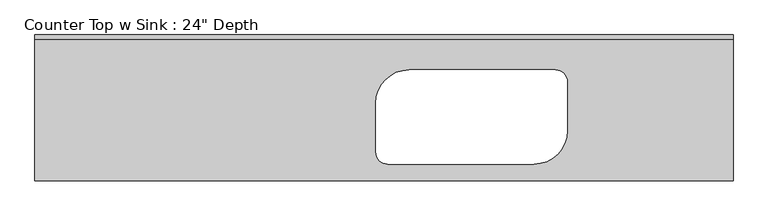
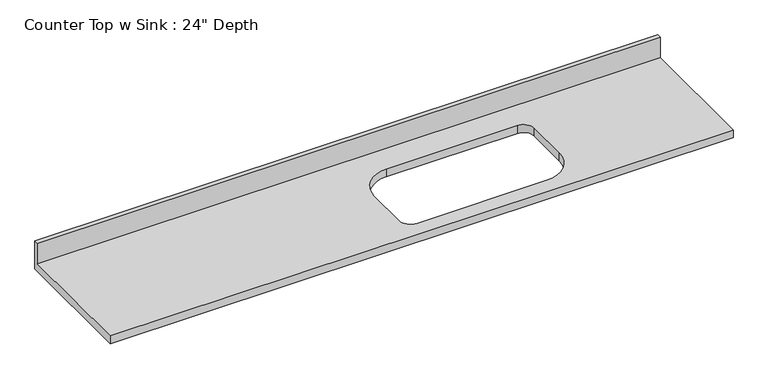
"""IFC4 building model written with IfcOpenShell, lengths in millimetres: furniture geometry."""

from ifc_helpers import new_model, si_unit, frame, origin, place, context, project, spatial, polyline, circle_curve, source, transform, mapped, element, save
from ifc_brep_helpers import plane_surface, revolved_surface, advanced_brep


def furniture_7e653841(model_context):
    return source(origin(), model_context, "Body", "AdvancedBrep", [
        advanced_brep(
        [(-1200.4622951, -609.6, 914.4), (1715.7752049, -609.6, 914.4), (1715.7752049, -19.05, 914.4), (-1200.4622951, -19.05, 914.4), (363.2252049, -146.05, 914.4), (972.8252049, -146.05, 914.4), (1023.6252049, -196.85, 914.4), (1023.6252049, -400.05, 914.4), (883.9252049, -539.75, 914.4), (274.3252049, -539.75, 914.4), (223.5252049, -488.95, 914.4), (223.5252049, -285.75, 914.4), (1715.7752049, 0.0, 876.3), (1715.7752049, -609.6, 876.3), (-1200.4622951, -609.6, 876.3), (-1200.4622951, 0.0, 876.3), (972.8252049, -146.05, 876.3), (363.2252049, -146.05, 876.3), (223.5252049, -285.75, 876.3), (223.5252049, -488.95, 876.3), (274.3252049, -539.75, 876.3), (883.9252049, -539.75, 876.3), (1023.6252049, -400.05, 876.3), (1023.6252049, -196.85, 876.3), (-1200.4622951, 0.0, 1016.0), (1715.7752049, 0.0, 1016.0), (-1200.4622951, -19.05, 1016.0), (1715.7752049, -19.05, 1016.0)],
        [
            (0, 1),
            (1, 2),
            (2, 3),
            (3, 0),
            (4, 5),
            (5, 6, circle_curve(frame((972.8252049, -196.85, 914.4), z_axis=(0.0, 0.0, -1.0), x_axis=(1.0, 0.0, 0.0)), 50.8)),
            (6, 7),
            (7, 8, circle_curve(frame((883.9252049, -400.05, 914.4), z_axis=(0.0, 0.0, -1.0), x_axis=(1.0, 0.0, 0.0)), 139.7)),
            (8, 9),
            (9, 10, circle_curve(frame((274.3252049, -488.95, 914.4), z_axis=(0.0, 0.0, -1.0), x_axis=(1.0, 0.0, 0.0)), 50.8)),
            (10, 11),
            (11, 4, circle_curve(frame((363.2252049, -285.75, 914.4), z_axis=(0.0, 0.0, -1.0), x_axis=(1.0, 0.0, 0.0)), 139.7)),
            (12, 13),
            (13, 14),
            (14, 15),
            (15, 12),
            (16, 17),
            (17, 18, circle_curve(frame((363.2252049, -285.75, 876.3), z_axis=(0.0, 0.0, 1.0), x_axis=(1.0, 0.0, 0.0)), 139.7)),
            (18, 19),
            (19, 20, circle_curve(frame((274.3252049, -488.95, 876.3), z_axis=(0.0, 0.0, 1.0), x_axis=(1.0, 0.0, 0.0)), 50.8)),
            (20, 21),
            (21, 22, circle_curve(frame((883.9252049, -400.05, 876.3), z_axis=(0.0, 0.0, 1.0), x_axis=(1.0, 0.0, 0.0)), 139.7)),
            (22, 23),
            (23, 16, circle_curve(frame((972.8252049, -196.85, 876.3), z_axis=(0.0, 0.0, 1.0), x_axis=(1.0, 0.0, 0.0)), 50.8)),
            (15, 24),
            (24, 25),
            (25, 12),
            (14, 0),
            (3, 26),
            (26, 24),
            (13, 1),
            (25, 27),
            (27, 2),
            (26, 27),
            (4, 17),
            (16, 5),
            (11, 18),
            (10, 19),
            (9, 20),
            (8, 21),
            (7, 22),
            (6, 23),
        ],
        [
            plane_surface(frame((-1200.4622951, 0.0, 914.4), z_axis=(0.0, 0.0, 1.0), x_axis=(-1.0, 0.0, 0.0))),
            plane_surface(frame((-1200.4622951, 0.0, 876.3), z_axis=(0.0, 0.0, -1.0), x_axis=(1.0, 0.0, 0.0))),
            plane_surface(frame((1715.7752049, 0.0, 914.4), z_axis=(0.0, 1.0, 0.0), x_axis=(0.0, 0.0, -1.0))),
            plane_surface(frame((-1200.4622951, 0.0, 914.4), z_axis=(-1.0, 0.0, 0.0), x_axis=(0.0, 0.0, -1.0))),
            plane_surface(frame((-1200.4622951, -609.6, 914.4), z_axis=(0.0, -1.0, 0.0), x_axis=(0.0, 0.0, -1.0))),
            plane_surface(frame((1715.7752049, -609.6, 914.4), z_axis=(1.0, 0.0, 0.0), x_axis=(0.0, 0.0, -1.0))),
            plane_surface(frame((-1200.4622951, 0.0, 1016.0), z_axis=(0.0, 0.0, 1.0), x_axis=(0.0, -1.0, 0.0))),
            plane_surface(frame((-1200.4622951, -19.05, 1016.0), z_axis=(0.0, -1.0, 0.0), x_axis=(0.0, 0.0, -1.0))),
            plane_surface(frame((972.8252049, -146.05, 914.4), z_axis=(0.0, -1.0, 0.0), x_axis=(0.0, 0.0, -1.0))),
            revolved_surface(polyline([(502.9252049, -285.75, 914.4), (502.9252049, -285.75, 876.3)]), (363.2252049, -285.75, 876.3), (0.0, 0.0, 1.0)),
            plane_surface(frame((223.5252049, -285.75, 914.4), z_axis=(1.0, 0.0, 0.0), x_axis=(0.0, 0.0, -1.0))),
            revolved_surface(polyline([(325.1252049, -488.95, 914.4), (325.1252049, -488.95, 876.3)]), (274.3252049, -488.95, 876.3), (0.0, 0.0, 1.0)),
            plane_surface(frame((274.3252049, -539.75, 914.4), z_axis=(0.0, 1.0, 0.0), x_axis=(0.0, 0.0, -1.0))),
            revolved_surface(polyline([(1023.6252049, -400.05, 914.4), (1023.6252049, -400.05, 876.3)]), (883.9252049, -400.05, 876.3), (0.0, 0.0, 1.0)),
            plane_surface(frame((1023.6252049, -400.05, 914.4), z_axis=(-1.0, 0.0, 0.0), x_axis=(0.0, 0.0, -1.0))),
            revolved_surface(polyline([(1023.6252049, -196.85, 914.4), (1023.6252049, -196.85, 876.3)]), (972.8252049, -196.85, 876.3), (0.0, 0.0, 1.0)),
        ],
        [
            (0, [[1, 2, 3, 4], [5, 6, 7, 8, 9, 10, 11, 12]]),
            (1, [[13, 14, 15, 16], [17, 18, 19, 20, 21, 22, 23, 24]]),
            (2, [[-16, 25, 26, 27]]),
            (3, [[-15, 28, -4, 29, 30, -25]]),
            (4, [[-1, -28, -14, 31]]),
            (5, [[-13, -27, 32, 33, -2, -31]]),
            (6, [[-30, 34, -32, -26]]),
            (7, [[-34, -29, -3, -33]]),
            (8, [[35, -17, 36, -5]]),
            (9, [[-35, -12, 37, -18]]),
            (10, [[-37, -11, 38, -19]]),
            (11, [[-38, -10, 39, -20]]),
            (12, [[-39, -9, 40, -21]]),
            (13, [[-40, -8, 41, -22]]),
            (14, [[-41, -7, 42, -23]]),
            (15, [[-36, -24, -42, -6]]),
        ],
    ),
    ])


if __name__ == "__main__":
    model = new_model("IFC4")
    model_context = context("Model", 3, world=origin())
    ifc_project = project(units=[si_unit("LENGTHUNIT", "METRE", prefix="MILLI")], contexts=[model_context])
    site = spatial("IfcSite", under=ifc_project)
    building = spatial("IfcBuilding", under=site)
    placement = place(None, origin())
    furniture_shape = furniture_7e653841(model_context)
    element("IfcFurniture", 1, ObjectType="Counter Top w Sink : 24\" Depth", at=placement, inside=building, context=model_context, shape_type="MappedRepresentation", body=[
        mapped(furniture_shape, transform((0.0, 0.0, 0.0), x_axis=(1.0, 0.0, 0.0), y_axis=(0.0, 1.0, 0.0), z_axis=(0.0, 0.0, 1.0))),
    ])
    save(model, "model.ifc")
